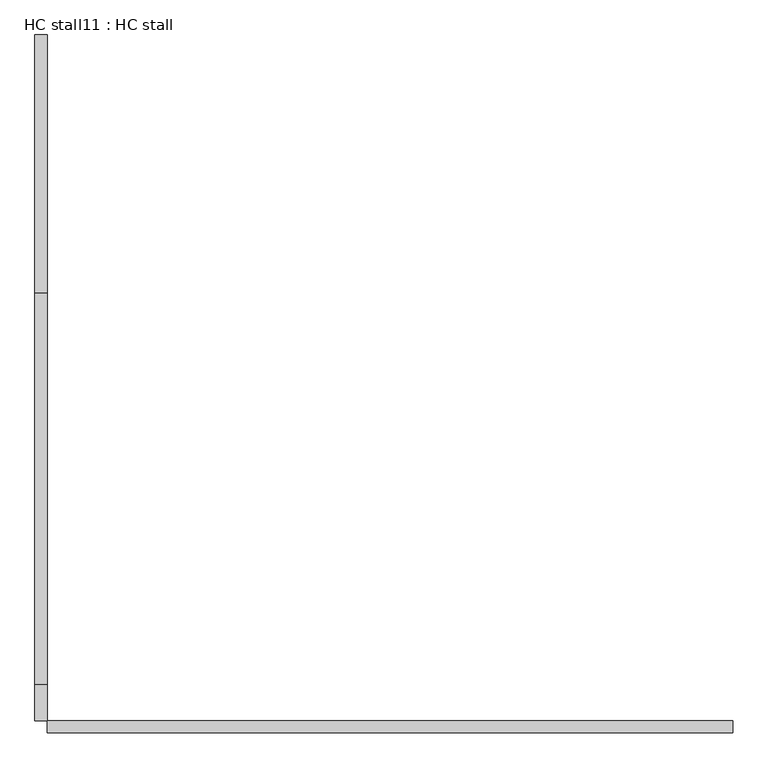
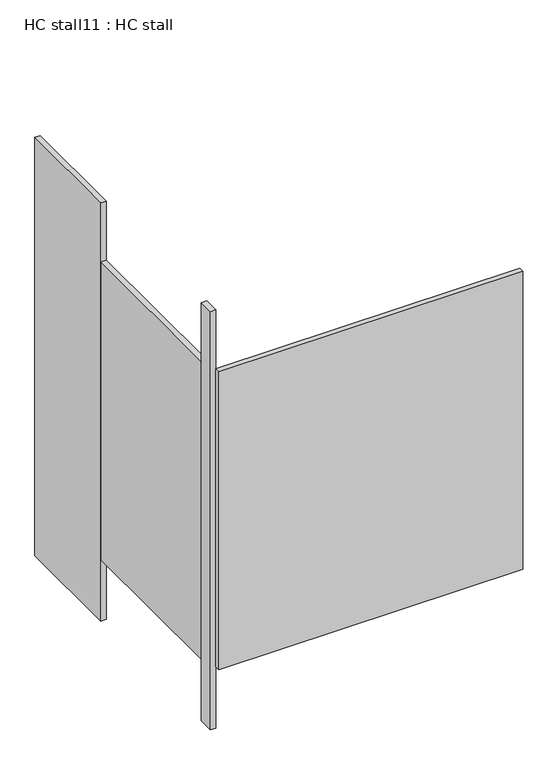
"""IFC4 building model written with IfcOpenShell, lengths in millimetres: proxy geometry, HC stall11 : HC stall."""

from ifc_helpers import new_model, si_unit, frame, origin, origin_with_axes, place, context, project, spatial, polyline, outline, extrude, source, transform, mapped, element, save


def hc_stall11_hc_stall_632dbb95(model_context):
    return source(origin(), model_context, "Body", "SweptSolid", [
        extrude(outline(polyline([(456080.6004676, -329195.9205223), (454658.2004676, -329195.9205223), (454658.2004676, -329170.5205223), (456080.6004676, -329170.5205223), (456080.6004676, -329195.9205223)])), frame((0.0, 0.0, 304.8), z_axis=(0.0, 0.0, 1.0), x_axis=(1.0, 0.0, 0.0)), (0.0, 0.0, 1.0), 1473.2),
        extrude(outline(polyline([(454658.2004676, -328283.1080223), (454632.8004676, -328283.1080223), (454632.8004676, -327748.1205223), (454658.2004676, -327748.1205223), (454658.2004676, -328283.1080223)])), origin_with_axes(), (0.0, 0.0, 1.0), 2070.1),
        extrude(outline(polyline([(454658.2004676, -329170.5205223), (454632.8004676, -329170.5205223), (454632.8004676, -329095.9080223), (454658.2004676, -329095.9080223), (454658.2004676, -329170.5205223)])), origin_with_axes(), (0.0, 0.0, 1.0), 2070.1),
        extrude(outline(polyline([(454658.2004676, -329095.9080223), (454632.8004676, -329095.9080223), (454632.8004676, -328283.1080223), (454658.2004676, -328283.1080223), (454658.2004676, -329095.9080223)])), frame((0.0, 0.0, 304.8), z_axis=(0.0, 0.0, 1.0), x_axis=(1.0, 0.0, 0.0)), (0.0, 0.0, 1.0), 1473.2),
    ])


if __name__ == "__main__":
    model = new_model("IFC4")
    model_context = context("Model", 3, world=origin())
    ifc_project = project(units=[si_unit("LENGTHUNIT", "METRE", prefix="MILLI")], contexts=[model_context])
    site = spatial("IfcSite", under=ifc_project)
    building = spatial("IfcBuilding", under=site)
    placement = place(None, origin())
    hc_stall11_hc_stall_shape = hc_stall11_hc_stall_632dbb95(model_context)
    element("IfcBuildingElementProxy", 1, Name="HC stall11 : HC stall", ObjectType="HC stall11 : HC stall", at=placement, inside=building, context=model_context, shape_type="MappedRepresentation", body=[
        mapped(hc_stall11_hc_stall_shape, transform((0.0, 0.0, 0.0), x_axis=(1.0, 0.0, 0.0), y_axis=(0.0, 1.0, 0.0), z_axis=(0.0, 0.0, 1.0))),
    ])
    save(model, "model.ifc")
